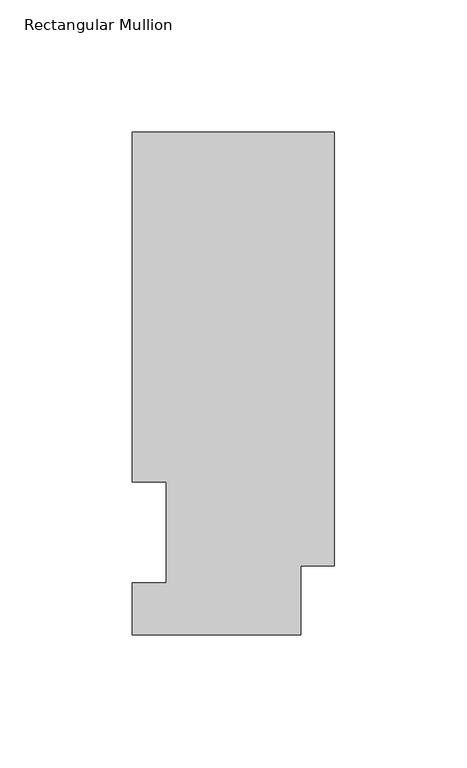
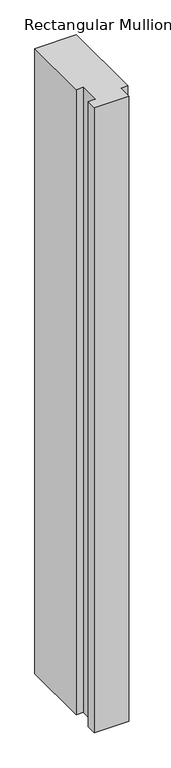
"""IFC4 building model written with IfcOpenShell, lengths in millimetres: member geometry, Rectangular Mullion."""

from ifc_helpers import new_model, si_unit, frame, origin, place, context, project, spatial, polyline, outline, extrude, source, transform, mapped, element, save


def rectangular_mullion_8f18e98c(model_context):
    return source(origin(), model_context, "Body", "SweptSolid", [
        extrude(outline(polyline([(-76.2, 189.8022937), (0.0, 189.8022938), (0.0, 25.8955957), (-12.7, 25.8955957), (-12.7, 0.0134938), (-76.2, 0.0134938), (-76.2, 19.5460938), (-63.5, 19.5460938), (-63.5, 57.6460937), (-76.2, 57.6460937), (-76.2, 189.8022937)])), frame((0.0, 0.0, -1219.2), z_axis=(0.0, 0.0, 1.0), x_axis=(1.0, 0.0, 0.0)), (0.0, 0.0, 1.0), 1219.2),
    ])


if __name__ == "__main__":
    model = new_model("IFC4")
    model_context = context("Model", 3, world=origin())
    ifc_project = project(units=[si_unit("LENGTHUNIT", "METRE", prefix="MILLI")], contexts=[model_context])
    site = spatial("IfcSite", under=ifc_project)
    building = spatial("IfcBuilding", under=site)
    placement = place(None, origin())
    rectangular_mullion_shape = rectangular_mullion_8f18e98c(model_context)
    element("IfcMember", 1, ObjectType="Rectangular Mullion", at=placement, inside=building, context=model_context, shape_type="MappedRepresentation", body=[
        mapped(rectangular_mullion_shape, transform((0.0, 0.0, 0.0), x_axis=(1.0, 0.0, 0.0), y_axis=(0.0, 1.0, 0.0), z_axis=(0.0, 0.0, 1.0))),
    ])
    save(model, "model.ifc")
